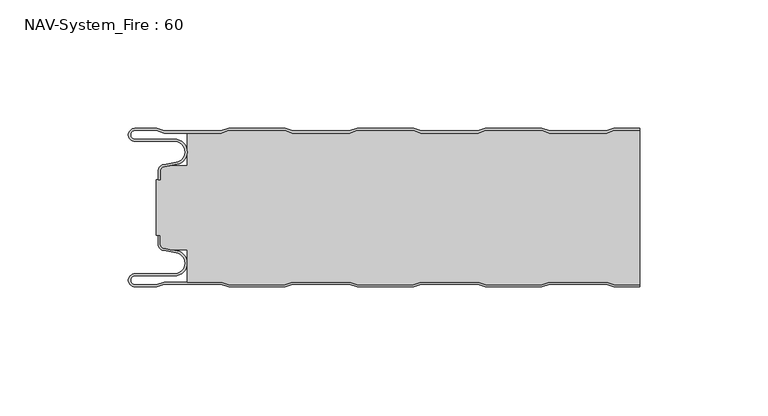
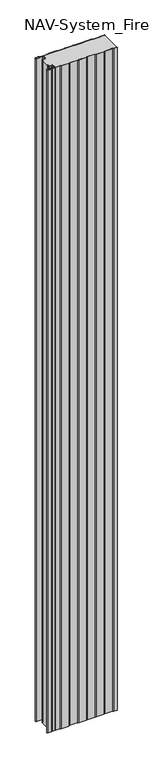
"""IFC4 building model written with IfcOpenShell, lengths in millimetres: plate geometry, NAV-System_Fire : 60."""

from ifc_helpers import new_model, si_unit, frame, origin, place, context, project, spatial, polyline, circle_curve, source, transform, mapped, element, save
from ifc_brep_helpers import plane_surface, cylinder_surface, revolved_surface, advanced_brep


def nav_system_fire_60_5c0a4671(model_context):
    return source(origin(), model_context, "Body", "AdvancedBrep", [
        advanced_brep(
        [(-88.6298221, -0.8, 0.0), (-97.0000001, -0.8, 0.0), (-97.0000001, -4.1999999, 0.0), (-81.6002086, -4.1999999, 0.0), (-80.7423864, -14.0049502, 0.0), (-85.6125665, -14.8636946, 0.0), (-87.1000004, -16.6363494, 0.0), (-87.1000014, -19.9421291, 0.0), (-87.9000014, -19.9421291, 0.0), (-87.9000014, -16.6363484, 0.0), (-85.7514853, -14.0758488, 0.0), (-80.8813015, -13.217104, 0.0), (-81.600205, -4.9999999, 0.0), (-97.0000001, -4.9999999, 0.0), (-97.0000001, 0.0, 0.0), (-88.5, 0.0, 0.0), (-85.5, -1.0, 0.0), (-63.5, -1.0, 0.0), (-60.5, 0.0, 0.0), (-38.5, 0.0, 0.0), (-35.5, -1.0, 0.0), (-13.5, -1.0, 0.0), (-10.5, 0.0, 0.0), (11.5, 0.0, 0.0), (14.5, -1.0, 0.0), (36.5, -1.0, 0.0), (39.5, 0.0, 0.0), (61.5, 0.0, 0.0), (64.5, -1.0, 0.0), (86.5, -1.0, 0.0), (89.5, 0.0, 0.0), (99.5, 0.0, 0.0), (99.5, -0.8, 0.0), (89.6298221, -0.8, 0.0), (86.6298221, -1.8, 0.0), (64.3701779, -1.8, 0.0), (61.3701779, -0.8, 0.0), (39.6298221, -0.8, 0.0), (36.6298221, -1.8, 0.0), (14.3701779, -1.8, 0.0), (11.3701779, -0.8, 0.0), (-10.3701779, -0.8, 0.0), (-13.3701779, -1.8, 0.0), (-35.6298221, -1.8, 0.0), (-38.6298221, -0.8, 0.0), (-60.3701779, -0.8, 0.0), (-63.3701779, -1.8, 0.0), (-85.6298221, -1.8, 0.0), (-88.6298221, -0.8, 2000.0), (-85.6298221, -1.8, 2000.0), (-63.3701779, -1.8, 2000.0), (-60.3701779, -0.8, 2000.0), (-38.6298221, -0.8, 2000.0), (-35.6298221, -1.8, 2000.0), (-13.3701779, -1.8, 2000.0), (-10.3701779, -0.8, 2000.0), (11.3701779, -0.8, 2000.0), (14.3701779, -1.8, 2000.0), (36.6298221, -1.8, 2000.0), (39.6298221, -0.8, 2000.0), (61.3701779, -0.8, 2000.0), (64.3701779, -1.8, 2000.0), (86.6298221, -1.8, 2000.0), (89.6298221, -0.8, 2000.0), (99.5, -0.8, 2000.0), (99.5, 0.0, 2000.0), (89.5, 0.0, 2000.0), (86.5, -1.0, 2000.0), (64.5, -1.0, 2000.0), (61.5, 0.0, 2000.0), (39.5, 0.0, 2000.0), (36.5, -1.0, 2000.0), (14.5, -1.0, 2000.0), (11.5, 0.0, 2000.0), (-10.5, 0.0, 2000.0), (-13.5, -1.0, 2000.0), (-35.5, -1.0, 2000.0), (-38.5, 0.0, 2000.0), (-60.5, 0.0, 2000.0), (-63.5, -1.0, 2000.0), (-85.5, -1.0, 2000.0), (-88.5, 0.0, 2000.0), (-97.0000001, 0.0, 2000.0), (-97.0000001, -4.9999999, 2000.0), (-81.600205, -4.9999999, 2000.0), (-80.8813015, -13.217104, 2000.0), (-85.7514853, -14.0758488, 2000.0), (-87.8999997, -16.6363484, 2000.0), (-87.9000014, -19.9421291, 2000.0), (-87.1000014, -19.9421291, 2000.0), (-87.1000014, -16.6363494, 2000.0), (-85.6125665, -14.8636946, 2000.0), (-80.7423864, -14.0049502, 2000.0), (-81.6002086, -4.1999999, 2000.0), (-97.0000001, -4.1999999, 2000.0), (-97.0000001, -0.8000002, 2000.0)],
        [
            (0, 1),
            (1, 2, circle_curve(frame((-97.0000001, -2.5, 0.0), z_axis=(0.0, 0.0, 1.0), x_axis=(1.0, 0.0, 0.0)), 1.6999999)),
            (2, 3),
            (3, 4, circle_curve(frame((-81.6002086, -9.1399999, 0.0), z_axis=(0.0, 0.0, -1.0), x_axis=(1.0, 0.0, 0.0)), 4.94)),
            (4, 5),
            (5, 6, circle_curve(frame((-85.2999995, -16.6363494, 0.0), z_axis=(0.0, 0.0, 1.0), x_axis=(1.0, 0.0, 0.0)), 1.8000009)),
            (6, 7),
            (7, 8),
            (8, 9),
            (9, 10, circle_curve(frame((-85.3000002, -16.6363484, 0.0), z_axis=(0.0, 0.0, -1.0), x_axis=(1.0, 0.0, 0.0)), 2.5999995)),
            (10, 11),
            (11, 12, circle_curve(frame((-81.600205, -9.1399999, 0.0), z_axis=(0.0, 0.0, 1.0), x_axis=(1.0, 0.0, 0.0)), 4.14)),
            (12, 13),
            (13, 14, circle_curve(frame((-97.0000001, -2.4999999, 0.0), z_axis=(0.0, 0.0, -1.0), x_axis=(1.0, 0.0, 0.0)), 2.4999999)),
            (14, 15),
            (15, 16),
            (16, 17),
            (17, 18),
            (18, 19),
            (19, 20),
            (20, 21),
            (21, 22),
            (22, 23),
            (23, 24),
            (24, 25),
            (25, 26),
            (26, 27),
            (27, 28),
            (28, 29),
            (29, 30),
            (30, 31),
            (31, 32),
            (32, 33),
            (33, 34),
            (34, 35),
            (35, 36),
            (36, 37),
            (37, 38),
            (38, 39),
            (39, 40),
            (40, 41),
            (41, 42),
            (42, 43),
            (43, 44),
            (44, 45),
            (45, 46),
            (46, 47),
            (47, 0),
            (48, 49),
            (49, 50),
            (50, 51),
            (51, 52),
            (52, 53),
            (53, 54),
            (54, 55),
            (55, 56),
            (56, 57),
            (57, 58),
            (58, 59),
            (59, 60),
            (60, 61),
            (61, 62),
            (62, 63),
            (63, 64),
            (64, 65),
            (65, 66),
            (66, 67),
            (67, 68),
            (68, 69),
            (69, 70),
            (70, 71),
            (71, 72),
            (72, 73),
            (73, 74),
            (74, 75),
            (75, 76),
            (76, 77),
            (77, 78),
            (78, 79),
            (79, 80),
            (80, 81),
            (81, 82),
            (82, 83, circle_curve(frame((-97.0000001, -2.4999999, 2000.0), z_axis=(0.0, 0.0, 1.0), x_axis=(1.0, 0.0, 0.0)), 2.4999999)),
            (83, 84),
            (84, 85, circle_curve(frame((-81.600205, -9.1399999, 2000.0), z_axis=(0.0, 0.0, -1.0), x_axis=(1.0, 0.0, 0.0)), 4.14)),
            (85, 86),
            (86, 87, circle_curve(frame((-85.3000002, -16.6363484, 2000.0), z_axis=(0.0, 0.0, 1.0), x_axis=(1.0, 0.0, 0.0)), 2.5999995)),
            (87, 88),
            (88, 89),
            (89, 90),
            (90, 91, circle_curve(frame((-85.2999995, -16.6363494, 2000.0), z_axis=(0.0, 0.0, -1.0), x_axis=(1.0, 0.0, 0.0)), 1.8000009)),
            (91, 92),
            (92, 93, circle_curve(frame((-81.6002086, -9.1399999, 2000.0), z_axis=(0.0, 0.0, 1.0), x_axis=(1.0, 0.0, 0.0)), 4.94)),
            (93, 94),
            (94, 95, circle_curve(frame((-97.0000001, -2.5, 2000.0), z_axis=(0.0, 0.0, -1.0), x_axis=(1.0, 0.0, 0.0)), 1.6999999)),
            (95, 48),
            (0, 48),
            (95, 1),
            (14, 82),
            (81, 15),
            (63, 33),
            (32, 64),
            (62, 34),
            (61, 35),
            (60, 36),
            (59, 37),
            (58, 38),
            (57, 39),
            (56, 40),
            (55, 41),
            (54, 42),
            (53, 43),
            (52, 44),
            (51, 45),
            (50, 46),
            (49, 47),
            (80, 16),
            (79, 17),
            (78, 18),
            (77, 19),
            (76, 20),
            (75, 21),
            (74, 22),
            (73, 23),
            (72, 24),
            (71, 25),
            (70, 26),
            (69, 27),
            (68, 28),
            (67, 29),
            (66, 30),
            (65, 31),
            (2, 94),
            (93, 3),
            (6, 90),
            (89, 7),
            (88, 8),
            (87, 9),
            (12, 84),
            (83, 13),
            (92, 4),
            (91, 5),
            (86, 10),
            (85, 11),
        ],
        [
            plane_surface(frame((-99.5, 0.0, 0.0), z_axis=(0.0, 0.0, -1.0), x_axis=(0.0, -1.0, 0.0))),
            plane_surface(frame((-99.5, 0.0, 2000.0), z_axis=(0.0, 0.0, 1.0), x_axis=(0.0, -1.0, 0.0))),
            plane_surface(frame((-88.6298221, -0.8, 0.0), z_axis=(0.0, -1.0, 0.0), x_axis=(0.0, 0.0, 1.0))),
            plane_surface(frame((-97.0000001, 0.0, 0.0), z_axis=(0.0, 1.0, 0.0), x_axis=(0.0, 0.0, 1.0))),
            plane_surface(frame((111.3701779, -0.8, 0.0), z_axis=(0.0, -1.0, 0.0), x_axis=(0.0, 0.0, 1.0))),
            plane_surface(frame((89.6298221, -0.8, 0.0), z_axis=(0.3162277660167413, -0.9486832980505461, 0.0), x_axis=(0.0, 0.0, 1.0))),
            plane_surface(frame((86.6298221, -1.8, 0.0), z_axis=(0.0, -1.0, 0.0), x_axis=(0.0, 0.0, 1.0))),
            plane_surface(frame((64.3701779, -1.8, 0.0), z_axis=(-0.31622776601675356, -0.948683298050542, 0.0), x_axis=(0.0, 0.0, 1.0))),
            plane_surface(frame((61.3701779, -0.8, 0.0), z_axis=(0.0, -1.0, 0.0), x_axis=(0.0, 0.0, 1.0))),
            plane_surface(frame((39.6298221, -0.8, 0.0), z_axis=(0.31622776601679226, -0.9486832980505291, 0.0), x_axis=(0.0, 0.0, 1.0))),
            plane_surface(frame((36.6298221, -1.8, 0.0), z_axis=(0.0, -1.0, 0.0), x_axis=(0.0, 0.0, 1.0))),
            plane_surface(frame((14.3701779, -1.8, 0.0), z_axis=(-0.3162277660168045, -0.948683298050525, 0.0), x_axis=(0.0, 0.0, 1.0))),
            plane_surface(frame((11.3701779, -0.8, 0.0), z_axis=(0.0, -1.0, 0.0), x_axis=(0.0, 0.0, 1.0))),
            plane_surface(frame((-10.3701779, -0.8, 0.0), z_axis=(0.31622776601679226, -0.9486832980505291, 0.0), x_axis=(0.0, 0.0, 1.0))),
            plane_surface(frame((-13.3701779, -1.8, 0.0), z_axis=(0.0, -1.0, 0.0), x_axis=(0.0, 0.0, 1.0))),
            plane_surface(frame((-35.6298221, -1.8, 0.0), z_axis=(-0.3162277660168045, -0.948683298050525, 0.0), x_axis=(0.0, 0.0, 1.0))),
            plane_surface(frame((-38.6298221, -0.8, 0.0), z_axis=(0.0, -1.0, 0.0), x_axis=(0.0, 0.0, 1.0))),
            plane_surface(frame((-60.3701779, -0.8, 0.0), z_axis=(0.3162277660167413, -0.9486832980505461, 0.0), x_axis=(0.0, 0.0, 1.0))),
            plane_surface(frame((-63.3701779, -1.8, 0.0), z_axis=(0.0, -1.0, 0.0), x_axis=(0.0, 0.0, 1.0))),
            plane_surface(frame((-85.6298221, -1.8, 0.0), z_axis=(-0.3162277660167413, -0.9486832980505461, 0.0), x_axis=(0.0, 0.0, 1.0))),
            plane_surface(frame((-88.5, 0.0, 0.0), z_axis=(0.31622776601671865, 0.9486832980505536, 0.0), x_axis=(0.0, 0.0, 1.0))),
            plane_surface(frame((-85.5, -1.0, 0.0), z_axis=(0.0, 1.0, 0.0), x_axis=(0.0, 0.0, 1.0))),
            plane_surface(frame((-63.5, -1.0, 0.0), z_axis=(-0.31622776601671865, 0.9486832980505536, 0.0), x_axis=(0.0, 0.0, 1.0))),
            plane_surface(frame((-60.5, 0.0, 0.0), z_axis=(0.0, 1.0, 0.0), x_axis=(0.0, 0.0, 1.0))),
            plane_surface(frame((-38.5, 0.0, 0.0), z_axis=(0.31622776601678754, 0.9486832980505306, 0.0), x_axis=(0.0, 0.0, 1.0))),
            plane_surface(frame((-35.5, -1.0, 0.0), z_axis=(0.0, 1.0, 0.0), x_axis=(0.0, 0.0, 1.0))),
            plane_surface(frame((-13.5, -1.0, 0.0), z_axis=(-0.3162277660167752, 0.9486832980505348, 0.0), x_axis=(0.0, 0.0, 1.0))),
            plane_surface(frame((-10.5, 0.0, 0.0), z_axis=(0.0, 1.0, 0.0), x_axis=(0.0, 0.0, 1.0))),
            plane_surface(frame((11.5, 0.0, 0.0), z_axis=(0.31622776601678754, 0.9486832980505306, 0.0), x_axis=(0.0, 0.0, 1.0))),
            plane_surface(frame((14.5, -1.0, 0.0), z_axis=(0.0, 1.0, 0.0), x_axis=(0.0, 0.0, 1.0))),
            plane_surface(frame((36.5, -1.0, 0.0), z_axis=(-0.3162277660167752, 0.9486832980505348, 0.0), x_axis=(0.0, 0.0, 1.0))),
            plane_surface(frame((39.5, 0.0, 0.0), z_axis=(0.0, 1.0, 0.0), x_axis=(0.0, 0.0, 1.0))),
            plane_surface(frame((61.5, 0.0, 0.0), z_axis=(0.3162277660167309, 0.9486832980505495, 0.0), x_axis=(0.0, 0.0, 1.0))),
            plane_surface(frame((64.5, -1.0, 0.0), z_axis=(0.0, 1.0, 0.0), x_axis=(0.0, 0.0, 1.0))),
            plane_surface(frame((86.5, -1.0, 0.0), z_axis=(-0.31622776601671865, 0.9486832980505536, 0.0), x_axis=(0.0, 0.0, 1.0))),
            plane_surface(frame((89.5, 0.0, 0.0), z_axis=(0.0, 1.0, 0.0), x_axis=(0.0, 0.0, 1.0))),
            plane_surface(frame((-97.0000001, -4.1999999, 0.0), z_axis=(0.0, 1.0, 0.0), x_axis=(0.0, 0.0, 1.0))),
            plane_surface(frame((-87.1000014, -16.6363494, 0.0), z_axis=(1.0, 0.0, 0.0), x_axis=(0.0, 0.0, 1.0))),
            plane_surface(frame((-87.1000014, -19.9421291, 0.0), z_axis=(0.0, -1.0, 0.0), x_axis=(0.0, 0.0, 1.0))),
            plane_surface(frame((-87.9000014, -19.9421291, 0.0), z_axis=(-1.0, 0.0, 0.0), x_axis=(0.0, 0.0, 1.0))),
            plane_surface(frame((-81.600205, -4.9999999, 0.0), z_axis=(0.0, -1.0, 0.0), x_axis=(0.0, 0.0, 1.0))),
            revolved_surface(polyline([(-95.3000002, -2.5, 2000.0), (-95.3000002, -2.5, 0.0)]), (-97.0000001, -2.5, 0.0), (0.0, 0.0, 1.0)),
            cylinder_surface(frame((-81.6002086, -9.1399999, 0.0), z_axis=(0.0, 0.0, -1.0), x_axis=(1.0, 0.0, 0.0)), 4.94),
            plane_surface(frame((-80.7423864, -14.0049502, 0.0), z_axis=(0.17364822279076972, -0.9848077450556567, 0.0), x_axis=(0.0, 0.0, 1.0))),
            revolved_surface(polyline([(-83.4999986, -16.6363494, 2000.0), (-83.4999986, -16.6363494, 0.0)]), (-85.2999995, -16.6363494, 0.0), (0.0, 0.0, 1.0)),
            cylinder_surface(frame((-85.3000002, -16.6363484, 0.0), z_axis=(0.0, 0.0, -1.0), x_axis=(1.0, 0.0, 0.0)), 2.5999995),
            plane_surface(frame((-85.7514853, -14.0758488, 0.0), z_axis=(-0.17364817295915452, 0.984807753842316, 0.0), x_axis=(0.0, 0.0, 1.0))),
            revolved_surface(polyline([(-77.460205, -9.1399999, 2000.0), (-77.460205, -9.1399999, 0.0)]), (-81.600205, -9.1399999, 0.0), (0.0, 0.0, 1.0)),
            cylinder_surface(frame((-97.0000001, -2.4999999, 0.0), z_axis=(0.0, 0.0, -1.0), x_axis=(1.0, 0.0, 0.0)), 2.4999999),
            plane_surface(frame((99.5, 100.0, 2000.0), z_axis=(1.0, 0.0, 0.0), x_axis=(0.0, 0.0, -1.0))),
        ],
        [
            (0, [[1, 2, 3, 4, 5, 6, 7, 8, 9, 10, 11, 12, 13, 14, 15, 16, 17, 18, 19, 20, 21, 22, 23, 24, 25, 26, 27, 28, 29, 30, 31, 32, 33, 34, 35, 36, 37, 38, 39, 40, 41, 42, 43, 44, 45, 46, 47, 48]]),
            (1, [[49, 50, 51, 52, 53, 54, 55, 56, 57, 58, 59, 60, 61, 62, 63, 64, 65, 66, 67, 68, 69, 70, 71, 72, 73, 74, 75, 76, 77, 78, 79, 80, 81, 82, 83, 84, 85, 86, 87, 88, 89, 90, 91, 92, 93, 94, 95, 96]]),
            (2, [[-1, 97, -96, 98]]),
            (3, [[-15, 99, -82, 100]]),
            (4, [[101, -33, 102, -64]]),
            (5, [[-34, -101, -63, 103]]),
            (6, [[-35, -103, -62, 104]]),
            (7, [[-36, -104, -61, 105]]),
            (8, [[-37, -105, -60, 106]]),
            (9, [[-38, -106, -59, 107]]),
            (10, [[-39, -107, -58, 108]]),
            (11, [[-40, -108, -57, 109]]),
            (12, [[-41, -109, -56, 110]]),
            (13, [[-42, -110, -55, 111]]),
            (14, [[-43, -111, -54, 112]]),
            (15, [[-44, -112, -53, 113]]),
            (16, [[-45, -113, -52, 114]]),
            (17, [[-46, -114, -51, 115]]),
            (18, [[-47, -115, -50, 116]]),
            (19, [[-48, -116, -49, -97]]),
            (20, [[-16, -100, -81, 117]]),
            (21, [[-17, -117, -80, 118]]),
            (22, [[-18, -118, -79, 119]]),
            (23, [[-19, -119, -78, 120]]),
            (24, [[-20, -120, -77, 121]]),
            (25, [[-21, -121, -76, 122]]),
            (26, [[-22, -122, -75, 123]]),
            (27, [[-23, -123, -74, 124]]),
            (28, [[-24, -124, -73, 125]]),
            (29, [[-25, -125, -72, 126]]),
            (30, [[-26, -126, -71, 127]]),
            (31, [[-27, -127, -70, 128]]),
            (32, [[-28, -128, -69, 129]]),
            (33, [[-29, -129, -68, 130]]),
            (34, [[-30, -130, -67, 131]]),
            (35, [[-131, -66, 132, -31]]),
            (36, [[-3, 133, -94, 134]]),
            (37, [[-7, 135, -90, 136]]),
            (38, [[-8, -136, -89, 137]]),
            (39, [[-9, -137, -88, 138]]),
            (40, [[-13, 139, -84, 140]]),
            (41, [[-2, -98, -95, -133]]),
            (42, [[-4, -134, -93, 141]]),
            (43, [[-5, -141, -92, 142]]),
            (44, [[-6, -142, -91, -135]]),
            (45, [[-10, -138, -87, 143]]),
            (46, [[-11, -143, -86, 144]]),
            (47, [[-12, -144, -85, -139]]),
            (48, [[-14, -140, -83, -99]]),
            (49, [[-32, -132, -65, -102]]),
        ],
    ),
        advanced_brep(
        [(89.6298221, -0.8, 2000.0), (86.6298221, -1.8, 2000.0), (64.3701779, -1.8, 2000.0), (61.3701779, -0.8, 2000.0), (39.6298221, -0.8, 2000.0), (36.6298221, -1.8, 2000.0), (14.3701779, -1.8, 2000.0), (11.3701779, -0.8, 2000.0), (-10.3701779, -0.8, 2000.0), (-13.3701779, -1.8, 2000.0), (-35.6298221, -1.8, 2000.0), (-38.6298221, -0.8, 2000.0), (-60.3701779, -0.8, 2000.0), (-63.3701779, -1.8, 2000.0), (-76.6602086, -1.8, 2000.0), (-76.6602086, -14.4343223, 2000.0), (-83.1774784, -14.4343223, 2000.0), (-85.6125665, -14.8636942, 2000.0), (-87.1000004, -16.636349, 2000.0), (-87.1000004, -19.9487816, 2000.0), (-88.6502227, -19.9487816, 2000.0), (-88.6502227, -41.6487997, 2000.0), (-87.1000014, -41.6487997, 2000.0), (-87.1000014, -44.963651, 2000.0), (-85.6125665, -46.7363054, 2000.0), (-83.1774762, -47.1656777, 2000.0), (-76.6602086, -47.1656777, 2000.0), (-76.6602086, -59.8, 2000.0), (-63.3701779, -59.8, 2000.0), (-60.3701779, -60.8, 2000.0), (-38.6298221, -60.8, 2000.0), (-35.6298221, -59.8, 2000.0), (-13.3701779, -59.8, 2000.0), (-10.3701779, -60.8, 2000.0), (11.3701779, -60.8, 2000.0), (14.3701779, -59.8, 2000.0), (36.6298221, -59.8, 2000.0), (39.6298221, -60.8, 2000.0), (61.3701779, -60.8, 2000.0), (64.3701779, -59.8, 2000.0), (86.6298221, -59.8, 2000.0), (89.6298221, -60.8, 2000.0), (99.5, -60.8, 2000.0), (99.5, -0.8, 2000.0), (89.6298221, -60.8, 0.0), (86.6298221, -59.8, 0.0), (64.3701779, -59.8, 0.0), (61.3701779, -60.8, 0.0), (39.6298221, -60.8, 0.0), (36.6298221, -59.8, 0.0), (14.3701779, -59.8, 0.0), (11.3701779, -60.8, 0.0), (-10.3701779, -60.8, 0.0), (-13.3701779, -59.8, 0.0), (-35.6298221, -59.8, 0.0), (-38.6298221, -60.8, 0.0), (-60.3701779, -60.8, 0.0), (-63.3701779, -59.8, 0.0), (-76.6602086, -59.8, 0.0), (-76.6602086, -47.1656777, 0.0), (-83.1774762, -47.1656777, 0.0), (-85.6125665, -46.7363054, 0.0), (-87.1000004, -44.963651, 0.0), (-87.1000014, -41.6487997, 0.0), (-88.6502227, -41.6487997, 0.0), (-88.6502227, -19.9487816, 0.0), (-87.1000004, -19.9487816, 0.0), (-87.1000004, -16.636349, 0.0), (-85.6125665, -14.8636942, 0.0), (-83.1774784, -14.4343223, 0.0), (-76.6602086, -14.4343223, 0.0), (-76.6602086, -1.8, 0.0), (-63.3701779, -1.8, 0.0), (-60.3701779, -0.8, 0.0), (-38.6298221, -0.8, 0.0), (-35.6298221, -1.8, 0.0), (-13.3701779, -1.8, 0.0), (-10.3701779, -0.8, 0.0), (11.3701779, -0.8, 0.0), (14.3701779, -1.8, 0.0), (36.6298221, -1.8, 0.0), (39.6298221, -0.8, 0.0), (61.3701779, -0.8, 0.0), (64.3701779, -1.8, 0.0), (86.6298221, -1.8, 0.0), (89.6298221, -0.8, 0.0), (99.5, -0.8, 0.0), (99.5, -60.8, 0.0)],
        [
            (0, 1),
            (1, 2),
            (2, 3),
            (3, 4),
            (4, 5),
            (5, 6),
            (6, 7),
            (7, 8),
            (8, 9),
            (9, 10),
            (10, 11),
            (11, 12),
            (12, 13),
            (13, 14),
            (14, 15),
            (15, 16),
            (16, 17),
            (17, 18, circle_curve(frame((-85.2999995, -16.636349, 2000.0), z_axis=(0.0, 0.0, 1.0), x_axis=(1.0, 0.0, 0.0)), 1.8000009)),
            (18, 19),
            (19, 20),
            (20, 21),
            (21, 22),
            (22, 23),
            (23, 24, circle_curve(frame((-85.2999995, -44.9636506, 2000.0), z_axis=(0.0, 0.0, 1.0), x_axis=(1.0, 0.0, 0.0)), 1.8000009)),
            (24, 25),
            (25, 26),
            (26, 27),
            (27, 28),
            (28, 29),
            (29, 30),
            (30, 31),
            (31, 32),
            (32, 33),
            (33, 34),
            (34, 35),
            (35, 36),
            (36, 37),
            (37, 38),
            (38, 39),
            (39, 40),
            (40, 41),
            (41, 42),
            (42, 43),
            (43, 0),
            (44, 45),
            (45, 46),
            (46, 47),
            (47, 48),
            (48, 49),
            (49, 50),
            (50, 51),
            (51, 52),
            (52, 53),
            (53, 54),
            (54, 55),
            (55, 56),
            (56, 57),
            (57, 58),
            (58, 59),
            (59, 60),
            (60, 61),
            (61, 62, circle_curve(frame((-85.2999995, -44.9636506, 0.0), z_axis=(0.0, 0.0, -1.0), x_axis=(1.0, 0.0, 0.0)), 1.8000009)),
            (62, 63),
            (63, 64),
            (64, 65),
            (65, 66),
            (66, 67),
            (67, 68, circle_curve(frame((-85.2999995, -16.636349, 0.0), z_axis=(0.0, 0.0, -1.0), x_axis=(1.0, 0.0, 0.0)), 1.8000009)),
            (68, 69),
            (69, 70),
            (70, 71),
            (71, 72),
            (72, 73),
            (73, 74),
            (74, 75),
            (75, 76),
            (76, 77),
            (77, 78),
            (78, 79),
            (79, 80),
            (80, 81),
            (81, 82),
            (82, 83),
            (83, 84),
            (84, 85),
            (85, 86),
            (86, 87),
            (87, 44),
            (85, 0),
            (43, 86),
            (84, 1),
            (83, 2),
            (82, 3),
            (81, 4),
            (80, 5),
            (79, 6),
            (78, 7),
            (77, 8),
            (76, 9),
            (75, 10),
            (74, 11),
            (73, 12),
            (72, 13),
            (71, 14),
            (27, 58),
            (57, 28),
            (56, 29),
            (55, 30),
            (54, 31),
            (53, 32),
            (52, 33),
            (51, 34),
            (50, 35),
            (49, 36),
            (48, 37),
            (47, 38),
            (46, 39),
            (45, 40),
            (44, 41),
            (87, 42),
            (70, 15),
            (69, 16),
            (18, 67),
            (66, 19),
            (65, 20),
            (64, 21),
            (25, 60),
            (59, 26),
            (68, 17),
            (63, 22),
            (62, 23),
            (61, 24),
        ],
        [
            plane_surface(frame((-99.5, 0.0, 2000.0), z_axis=(0.0, 0.0, 1.0), x_axis=(0.0, -1.0, 0.0))),
            plane_surface(frame((-99.5, 0.0, 0.0), z_axis=(0.0, 0.0, -1.0), x_axis=(0.0, -1.0, 0.0))),
            plane_surface(frame((111.3701779, -0.8, 2000.0), z_axis=(0.0, 1.0, 0.0), x_axis=(0.0, 0.0, -1.0))),
            plane_surface(frame((89.6298221, -0.8, 2000.0), z_axis=(-0.3162277660167413, 0.9486832980505461, 0.0), x_axis=(0.0, 0.0, -1.0))),
            plane_surface(frame((86.6298221, -1.8, 2000.0), z_axis=(0.0, 1.0, 0.0), x_axis=(0.0, 0.0, -1.0))),
            plane_surface(frame((64.3701779, -1.8, 2000.0), z_axis=(0.31622776601675356, 0.948683298050542, 0.0), x_axis=(0.0, 0.0, -1.0))),
            plane_surface(frame((61.3701779, -0.8, 2000.0), z_axis=(0.0, 1.0, 0.0), x_axis=(0.0, 0.0, -1.0))),
            plane_surface(frame((39.6298221, -0.8, 2000.0), z_axis=(-0.31622776601679226, 0.9486832980505291, 0.0), x_axis=(0.0, 0.0, -1.0))),
            plane_surface(frame((36.6298221, -1.8, 2000.0), z_axis=(0.0, 1.0, 0.0), x_axis=(0.0, 0.0, -1.0))),
            plane_surface(frame((14.3701779, -1.8, 2000.0), z_axis=(0.3162277660168045, 0.948683298050525, 0.0), x_axis=(0.0, 0.0, -1.0))),
            plane_surface(frame((11.3701779, -0.8, 2000.0), z_axis=(0.0, 1.0, 0.0), x_axis=(0.0, 0.0, -1.0))),
            plane_surface(frame((-10.3701779, -0.8, 2000.0), z_axis=(-0.31622776601679226, 0.9486832980505291, 0.0), x_axis=(0.0, 0.0, -1.0))),
            plane_surface(frame((-13.3701779, -1.8, 2000.0), z_axis=(0.0, 1.0, 0.0), x_axis=(0.0, 0.0, -1.0))),
            plane_surface(frame((-35.6298221, -1.8, 2000.0), z_axis=(0.3162277660168045, 0.948683298050525, 0.0), x_axis=(0.0, 0.0, -1.0))),
            plane_surface(frame((-38.6298221, -0.8, 2000.0), z_axis=(0.0, 1.0, 0.0), x_axis=(0.0, 0.0, -1.0))),
            plane_surface(frame((-60.3701779, -0.8, 2000.0), z_axis=(-0.3162277660167413, 0.9486832980505461, 0.0), x_axis=(0.0, 0.0, -1.0))),
            plane_surface(frame((-63.3701779, -1.8, 2000.0), z_axis=(0.0, 1.0, 0.0), x_axis=(0.0, 0.0, -1.0))),
            plane_surface(frame((-76.6602086, -59.8, 2000.0), z_axis=(0.0, -1.0, 0.0), x_axis=(0.0, 0.0, -1.0))),
            plane_surface(frame((-63.3701779, -59.8, 2000.0), z_axis=(-0.31622776601680425, -0.9486832980505251, 0.0), x_axis=(0.0, 0.0, -1.0))),
            plane_surface(frame((-60.3701779, -60.8, 2000.0), z_axis=(0.0, -1.0, 0.0), x_axis=(0.0, 0.0, -1.0))),
            plane_surface(frame((-38.6298221, -60.8, 2000.0), z_axis=(0.3162277660166068, -0.9486832980505908, 0.0), x_axis=(0.0, 0.0, -1.0))),
            plane_surface(frame((-35.6298221, -59.8, 2000.0), z_axis=(0.0, -1.0, 0.0), x_axis=(0.0, 0.0, -1.0))),
            plane_surface(frame((-13.3701779, -59.8, 2000.0), z_axis=(-0.3162277660169808, -0.9486832980504663, 0.0), x_axis=(0.0, 0.0, -1.0))),
            plane_surface(frame((-10.3701779, -60.8, 2000.0), z_axis=(0.0, -1.0, 0.0), x_axis=(0.0, 0.0, -1.0))),
            plane_surface(frame((11.3701779, -60.8, 2000.0), z_axis=(0.3162277660165346, -0.9486832980506149, 0.0), x_axis=(0.0, 0.0, -1.0))),
            plane_surface(frame((14.3701779, -59.8, 2000.0), z_axis=(0.0, -1.0, 0.0), x_axis=(0.0, 0.0, -1.0))),
            plane_surface(frame((36.6298221, -59.8, 2000.0), z_axis=(-0.3162277660169872, -0.9486832980504641, 0.0), x_axis=(0.0, 0.0, -1.0))),
            plane_surface(frame((39.6298221, -60.8, 2000.0), z_axis=(0.0, -1.0, 0.0), x_axis=(0.0, 0.0, -1.0))),
            plane_surface(frame((61.3701779, -60.8, 2000.0), z_axis=(0.31622776601646235, -0.948683298050639, 0.0), x_axis=(0.0, 0.0, -1.0))),
            plane_surface(frame((64.3701779, -59.8, 2000.0), z_axis=(0.0, -1.0, 0.0), x_axis=(0.0, 0.0, -1.0))),
            plane_surface(frame((86.6298221, -59.8, 2000.0), z_axis=(-0.316227766016862, -0.9486832980505058, 0.0), x_axis=(0.0, 0.0, -1.0))),
            plane_surface(frame((89.6298221, -60.8, 2000.0), z_axis=(0.0, -1.0, 0.0), x_axis=(0.0, 0.0, -1.0))),
            plane_surface(frame((-76.6602086, -1.8, 2000.0), z_axis=(-1.0, 0.0, 0.0), x_axis=(0.0, 0.0, -1.0))),
            plane_surface(frame((-76.6602086, -14.4343223, 2000.0), z_axis=(0.0, 1.0, 0.0), x_axis=(0.0, 0.0, -1.0))),
            plane_surface(frame((-87.1000004, -16.636349, 2000.0), z_axis=(-1.0, 0.0, 0.0), x_axis=(0.0, 0.0, -1.0))),
            plane_surface(frame((-87.1000004, -19.9487816, 2000.0), z_axis=(0.0, 1.0, 0.0), x_axis=(0.0, 0.0, -1.0))),
            plane_surface(frame((-88.6502227, -19.9487816, 2000.0), z_axis=(-1.0, 0.0, 0.0), x_axis=(0.0, 0.0, -1.0))),
            plane_surface(frame((-83.1774762, -47.1656777, 2000.0), z_axis=(0.0, -1.0, 0.0), x_axis=(0.0, 0.0, -1.0))),
            plane_surface(frame((-76.6602086, -47.1656777, 2000.0), z_axis=(-1.0, 0.0, 0.0), x_axis=(0.0, 0.0, -1.0))),
            plane_surface(frame((-83.1774784, -14.4343223, 2000.0), z_axis=(-0.17364822279076972, 0.9848077450556567, 0.0), x_axis=(0.0, 0.0, -1.0))),
            cylinder_surface(frame((-85.2999995, -16.636349, 2000.0), z_axis=(0.0, 0.0, 1.0), x_axis=(1.0, 0.0, 0.0)), 1.8000009),
            plane_surface(frame((-88.6502227, -41.6487997, 2000.0), z_axis=(0.0, -1.0, 0.0), x_axis=(0.0, 0.0, -1.0))),
            plane_surface(frame((-87.1000014, -41.6487997, 2000.0), z_axis=(-1.0, 0.0, 0.0), x_axis=(0.0, 0.0, -1.0))),
            cylinder_surface(frame((-85.2999995, -44.9636506, 2000.0), z_axis=(0.0, 0.0, 1.0), x_axis=(1.0, 0.0, 0.0)), 1.8000009),
            plane_surface(frame((-85.6125665, -46.7363054, 2000.0), z_axis=(-0.17364822279077433, -0.9848077450556558, 0.0), x_axis=(0.0, 0.0, -1.0))),
            plane_surface(frame((99.5, 100.0, 2000.0), z_axis=(1.0, 0.0, 0.0), x_axis=(0.0, 0.0, -1.0))),
        ],
        [
            (0, [[1, 2, 3, 4, 5, 6, 7, 8, 9, 10, 11, 12, 13, 14, 15, 16, 17, 18, 19, 20, 21, 22, 23, 24, 25, 26, 27, 28, 29, 30, 31, 32, 33, 34, 35, 36, 37, 38, 39, 40, 41, 42, 43, 44]]),
            (1, [[45, 46, 47, 48, 49, 50, 51, 52, 53, 54, 55, 56, 57, 58, 59, 60, 61, 62, 63, 64, 65, 66, 67, 68, 69, 70, 71, 72, 73, 74, 75, 76, 77, 78, 79, 80, 81, 82, 83, 84, 85, 86, 87, 88]]),
            (2, [[89, -44, 90, -86]]),
            (3, [[-1, -89, -85, 91]]),
            (4, [[-2, -91, -84, 92]]),
            (5, [[-3, -92, -83, 93]]),
            (6, [[-4, -93, -82, 94]]),
            (7, [[-5, -94, -81, 95]]),
            (8, [[-6, -95, -80, 96]]),
            (9, [[-7, -96, -79, 97]]),
            (10, [[-8, -97, -78, 98]]),
            (11, [[-9, -98, -77, 99]]),
            (12, [[-10, -99, -76, 100]]),
            (13, [[-11, -100, -75, 101]]),
            (14, [[-12, -101, -74, 102]]),
            (15, [[-13, -102, -73, 103]]),
            (16, [[-14, -103, -72, 104]]),
            (17, [[-28, 105, -58, 106]]),
            (18, [[-29, -106, -57, 107]]),
            (19, [[-30, -107, -56, 108]]),
            (20, [[-31, -108, -55, 109]]),
            (21, [[-32, -109, -54, 110]]),
            (22, [[-33, -110, -53, 111]]),
            (23, [[-34, -111, -52, 112]]),
            (24, [[-35, -112, -51, 113]]),
            (25, [[-36, -113, -50, 114]]),
            (26, [[-37, -114, -49, 115]]),
            (27, [[-38, -115, -48, 116]]),
            (28, [[-39, -116, -47, 117]]),
            (29, [[-40, -117, -46, 118]]),
            (30, [[-41, -118, -45, 119]]),
            (31, [[-119, -88, 120, -42]]),
            (32, [[-15, -104, -71, 121]]),
            (33, [[-16, -121, -70, 122]]),
            (34, [[-19, 123, -67, 124]]),
            (35, [[-20, -124, -66, 125]]),
            (36, [[-21, -125, -65, 126]]),
            (37, [[-26, 127, -60, 128]]),
            (38, [[-27, -128, -59, -105]]),
            (39, [[-17, -122, -69, 129]]),
            (40, [[-18, -129, -68, -123]]),
            (41, [[-22, -126, -64, 130]]),
            (42, [[-23, -130, -63, 131]]),
            (43, [[-24, -131, -62, 132]]),
            (44, [[-25, -132, -61, -127]]),
            (45, [[-43, -120, -87, -90]]),
        ],
    ),
        advanced_brep(
        [(-88.6298221, -60.8, 2000.0), (-97.0000001, -60.8, 2000.0), (-97.0000001, -57.4000001, 2000.0), (-81.6002086, -57.4000001, 2000.0), (-80.7423864, -47.5950498, 2000.0), (-85.6125665, -46.7363054, 2000.0), (-87.1000004, -44.9636506, 2000.0), (-87.1000014, -41.6578709, 2000.0), (-87.9000014, -41.6578709, 2000.0), (-87.9000014, -44.9636516, 2000.0), (-85.7514853, -47.5241512, 2000.0), (-80.8813015, -48.382896, 2000.0), (-81.600205, -56.6000001, 2000.0), (-97.0000001, -56.6000001, 2000.0), (-97.0000001, -61.6, 2000.0), (-88.5, -61.6, 2000.0), (-85.5, -60.6, 2000.0), (-63.5, -60.6, 2000.0), (-60.5, -61.6, 2000.0), (-38.5, -61.6, 2000.0), (-35.5, -60.6, 2000.0), (-13.5, -60.6, 2000.0), (-10.5, -61.6, 2000.0), (11.5, -61.6, 2000.0), (14.5, -60.6, 2000.0), (36.5, -60.6, 2000.0), (39.5, -61.6, 2000.0), (61.5, -61.6, 2000.0), (64.5, -60.6, 2000.0), (86.5, -60.6, 2000.0), (89.5, -61.6, 2000.0), (99.5, -61.6, 2000.0), (99.5, -60.8, 2000.0), (89.6298221, -60.8, 2000.0), (86.6298221, -59.8, 2000.0), (64.3701779, -59.8, 2000.0), (61.3701779, -60.8, 2000.0), (39.6298221, -60.8, 2000.0), (36.6298221, -59.8, 2000.0), (14.3701779, -59.8, 2000.0), (11.3701779, -60.8, 2000.0), (-10.3701779, -60.8, 2000.0), (-13.3701779, -59.8, 2000.0), (-35.6298221, -59.8, 2000.0), (-38.6298221, -60.8, 2000.0), (-60.3701779, -60.8, 2000.0), (-63.3701779, -59.8, 2000.0), (-85.6298221, -59.8, 2000.0), (-88.6298221, -60.8, 0.0), (-85.6298221, -59.8, 0.0), (-63.3701779, -59.8, 0.0), (-60.3701779, -60.8, 0.0), (-38.6298221, -60.8, 0.0), (-35.6298221, -59.8, 0.0), (-13.3701779, -59.8, 0.0), (-10.3701779, -60.8, 0.0), (11.3701779, -60.8, 0.0), (14.3701779, -59.8, 0.0), (36.6298221, -59.8, 0.0), (39.6298221, -60.8, 0.0), (61.3701779, -60.8, 0.0), (64.3701779, -59.8, 0.0), (86.6298221, -59.8, 0.0), (89.6298221, -60.8, 0.0), (99.5, -60.8, 0.0), (99.5, -61.6, 0.0), (89.5, -61.6, 0.0), (86.5, -60.6, 0.0), (64.5, -60.6, 0.0), (61.5, -61.6, 0.0), (39.5, -61.6, 0.0), (36.5, -60.6, 0.0), (14.5, -60.6, 0.0), (11.5, -61.6, 0.0), (-10.5, -61.6, 0.0), (-13.5, -60.6, 0.0), (-35.5, -60.6, 0.0), (-38.5, -61.6, 0.0), (-60.5, -61.6, 0.0), (-63.5, -60.6, 0.0), (-85.5, -60.6, 0.0), (-88.5, -61.6, 0.0), (-97.0000001, -61.6, 0.0), (-97.0000001, -56.6000001, 0.0), (-81.600205, -56.6000001, 0.0), (-80.8813015, -48.382896, 0.0), (-85.7514853, -47.5241512, 0.0), (-87.8999997, -44.9636516, 0.0), (-87.9000014, -41.6578709, 0.0), (-87.1000014, -41.6578709, 0.0), (-87.1000014, -44.9636506, 0.0), (-85.6125665, -46.7363054, 0.0), (-80.7423864, -47.5950498, 0.0), (-81.6002086, -57.4000001, 0.0), (-97.0000001, -57.4000001, 0.0), (-97.0000001, -60.7999998, 0.0)],
        [
            (0, 1),
            (1, 2, circle_curve(frame((-97.0000001, -59.1, 2000.0), z_axis=(0.0, 0.0, -1.0), x_axis=(1.0, 0.0, 0.0)), 1.6999999)),
            (2, 3),
            (3, 4, circle_curve(frame((-81.6002086, -52.4600001, 2000.0), z_axis=(0.0, 0.0, 1.0), x_axis=(1.0, 0.0, 0.0)), 4.94)),
            (4, 5),
            (5, 6, circle_curve(frame((-85.2999995, -44.9636506, 2000.0), z_axis=(0.0, 0.0, -1.0), x_axis=(1.0, 0.0, 0.0)), 1.8000009)),
            (6, 7),
            (7, 8),
            (8, 9),
            (9, 10, circle_curve(frame((-85.3000002, -44.9636516, 2000.0), z_axis=(0.0, 0.0, 1.0), x_axis=(1.0, 0.0, 0.0)), 2.5999995)),
            (10, 11),
            (11, 12, circle_curve(frame((-81.600205, -52.4600001, 2000.0), z_axis=(0.0, 0.0, -1.0), x_axis=(1.0, 0.0, 0.0)), 4.14)),
            (12, 13),
            (13, 14, circle_curve(frame((-97.0000001, -59.1000001, 2000.0), z_axis=(0.0, 0.0, 1.0), x_axis=(1.0, 0.0, 0.0)), 2.4999999)),
            (14, 15),
            (15, 16),
            (16, 17),
            (17, 18),
            (18, 19),
            (19, 20),
            (20, 21),
            (21, 22),
            (22, 23),
            (23, 24),
            (24, 25),
            (25, 26),
            (26, 27),
            (27, 28),
            (28, 29),
            (29, 30),
            (30, 31),
            (31, 32),
            (32, 33),
            (33, 34),
            (34, 35),
            (35, 36),
            (36, 37),
            (37, 38),
            (38, 39),
            (39, 40),
            (40, 41),
            (41, 42),
            (42, 43),
            (43, 44),
            (44, 45),
            (45, 46),
            (46, 47),
            (47, 0),
            (48, 49),
            (49, 50),
            (50, 51),
            (51, 52),
            (52, 53),
            (53, 54),
            (54, 55),
            (55, 56),
            (56, 57),
            (57, 58),
            (58, 59),
            (59, 60),
            (60, 61),
            (61, 62),
            (62, 63),
            (63, 64),
            (64, 65),
            (65, 66),
            (66, 67),
            (67, 68),
            (68, 69),
            (69, 70),
            (70, 71),
            (71, 72),
            (72, 73),
            (73, 74),
            (74, 75),
            (75, 76),
            (76, 77),
            (77, 78),
            (78, 79),
            (79, 80),
            (80, 81),
            (81, 82),
            (82, 83, circle_curve(frame((-97.0000001, -59.1000001, 0.0), z_axis=(0.0, 0.0, -1.0), x_axis=(1.0, 0.0, 0.0)), 2.4999999)),
            (83, 84),
            (84, 85, circle_curve(frame((-81.600205, -52.4600001, 0.0), z_axis=(0.0, 0.0, 1.0), x_axis=(1.0, 0.0, 0.0)), 4.14)),
            (85, 86),
            (86, 87, circle_curve(frame((-85.3000002, -44.9636516, 0.0), z_axis=(0.0, 0.0, -1.0), x_axis=(1.0, 0.0, 0.0)), 2.5999995)),
            (87, 88),
            (88, 89),
            (89, 90),
            (90, 91, circle_curve(frame((-85.2999995, -44.9636506, 0.0), z_axis=(0.0, 0.0, 1.0), x_axis=(1.0, 0.0, 0.0)), 1.8000009)),
            (91, 92),
            (92, 93, circle_curve(frame((-81.6002086, -52.4600001, 0.0), z_axis=(0.0, 0.0, -1.0), x_axis=(1.0, 0.0, 0.0)), 4.94)),
            (93, 94),
            (94, 95, circle_curve(frame((-97.0000001, -59.1, 0.0), z_axis=(0.0, 0.0, 1.0), x_axis=(1.0, 0.0, 0.0)), 1.6999999)),
            (95, 48),
            (14, 82),
            (81, 15),
            (0, 48),
            (95, 1),
            (63, 33),
            (32, 64),
            (62, 34),
            (61, 35),
            (60, 36),
            (59, 37),
            (58, 38),
            (57, 39),
            (56, 40),
            (55, 41),
            (54, 42),
            (53, 43),
            (52, 44),
            (51, 45),
            (50, 46),
            (49, 47),
            (80, 16),
            (79, 17),
            (78, 18),
            (77, 19),
            (76, 20),
            (75, 21),
            (74, 22),
            (73, 23),
            (72, 24),
            (71, 25),
            (70, 26),
            (69, 27),
            (68, 28),
            (67, 29),
            (66, 30),
            (65, 31),
            (2, 94),
            (93, 3),
            (6, 90),
            (89, 7),
            (88, 8),
            (87, 9),
            (12, 84),
            (83, 13),
            (92, 4),
            (91, 5),
            (86, 10),
            (85, 11),
        ],
        [
            plane_surface(frame((-99.5, -61.6, 2000.0), z_axis=(0.0, 0.0, 1.0), x_axis=(-1.0, 0.0, 0.0))),
            plane_surface(frame((-99.5, -61.6, 0.0), z_axis=(0.0, 0.0, -1.0), x_axis=(-1.0, 0.0, 0.0))),
            plane_surface(frame((-97.0000001, -61.6, 2000.0), z_axis=(0.0, -1.0, 0.0), x_axis=(0.0, 0.0, -1.0))),
            plane_surface(frame((-88.6298221, -60.8, 2000.0), z_axis=(0.0, 1.0, 0.0), x_axis=(0.0, 0.0, -1.0))),
            plane_surface(frame((111.3701779, -60.8, 2000.0), z_axis=(0.0, 1.0, 0.0), x_axis=(0.0, 0.0, -1.0))),
            plane_surface(frame((89.6298221, -60.8, 2000.0), z_axis=(0.3162277660167412, 0.9486832980505461, 0.0), x_axis=(0.0, 0.0, -1.0))),
            plane_surface(frame((86.6298221, -59.8, 2000.0), z_axis=(0.0, 1.0, 0.0), x_axis=(0.0, 0.0, -1.0))),
            plane_surface(frame((64.3701779, -59.8, 2000.0), z_axis=(-0.3162277660167537, 0.948683298050542, 0.0), x_axis=(0.0, 0.0, -1.0))),
            plane_surface(frame((61.3701779, -60.8, 2000.0), z_axis=(0.0, 1.0, 0.0), x_axis=(0.0, 0.0, -1.0))),
            plane_surface(frame((39.6298221, -60.8, 2000.0), z_axis=(0.31622776601679214, 0.9486832980505291, 0.0), x_axis=(0.0, 0.0, -1.0))),
            plane_surface(frame((36.6298221, -59.8, 2000.0), z_axis=(0.0, 1.0, 0.0), x_axis=(0.0, 0.0, -1.0))),
            plane_surface(frame((14.3701779, -59.8, 2000.0), z_axis=(-0.31622776601680463, 0.948683298050525, 0.0), x_axis=(0.0, 0.0, -1.0))),
            plane_surface(frame((11.3701779, -60.8, 2000.0), z_axis=(0.0, 1.0, 0.0), x_axis=(0.0, 0.0, -1.0))),
            plane_surface(frame((-10.3701779, -60.8, 2000.0), z_axis=(0.31622776601679214, 0.9486832980505291, 0.0), x_axis=(0.0, 0.0, -1.0))),
            plane_surface(frame((-13.3701779, -59.8, 2000.0), z_axis=(0.0, 1.0, 0.0), x_axis=(0.0, 0.0, -1.0))),
            plane_surface(frame((-35.6298221, -59.8, 2000.0), z_axis=(-0.31622776601680463, 0.948683298050525, 0.0), x_axis=(0.0, 0.0, -1.0))),
            plane_surface(frame((-38.6298221, -60.8, 2000.0), z_axis=(0.0, 1.0, 0.0), x_axis=(0.0, 0.0, -1.0))),
            plane_surface(frame((-60.3701779, -60.8, 2000.0), z_axis=(0.3162277660167412, 0.9486832980505461, 0.0), x_axis=(0.0, 0.0, -1.0))),
            plane_surface(frame((-63.3701779, -59.8, 2000.0), z_axis=(0.0, 1.0, 0.0), x_axis=(0.0, 0.0, -1.0))),
            plane_surface(frame((-85.6298221, -59.8, 2000.0), z_axis=(-0.3162277660167414, 0.9486832980505461, 0.0), x_axis=(0.0, 0.0, -1.0))),
            plane_surface(frame((-88.5, -61.6, 2000.0), z_axis=(0.31622776601671876, -0.9486832980505536, 0.0), x_axis=(0.0, 0.0, -1.0))),
            plane_surface(frame((-85.5, -60.6, 2000.0), z_axis=(0.0, -1.0, 0.0), x_axis=(0.0, 0.0, -1.0))),
            plane_surface(frame((-63.5, -60.6, 2000.0), z_axis=(-0.31622776601671854, -0.9486832980505536, 0.0), x_axis=(0.0, 0.0, -1.0))),
            plane_surface(frame((-60.5, -61.6, 2000.0), z_axis=(0.0, -1.0, 0.0), x_axis=(0.0, 0.0, -1.0))),
            plane_surface(frame((-38.5, -61.6, 2000.0), z_axis=(0.31622776601678765, -0.9486832980505306, 0.0), x_axis=(0.0, 0.0, -1.0))),
            plane_surface(frame((-35.5, -60.6, 2000.0), z_axis=(0.0, -1.0, 0.0), x_axis=(0.0, 0.0, -1.0))),
            plane_surface(frame((-13.5, -60.6, 2000.0), z_axis=(-0.3162277660167751, -0.9486832980505348, 0.0), x_axis=(0.0, 0.0, -1.0))),
            plane_surface(frame((-10.5, -61.6, 2000.0), z_axis=(0.0, -1.0, 0.0), x_axis=(0.0, 0.0, -1.0))),
            plane_surface(frame((11.5, -61.6, 2000.0), z_axis=(0.31622776601678765, -0.9486832980505306, 0.0), x_axis=(0.0, 0.0, -1.0))),
            plane_surface(frame((14.5, -60.6, 2000.0), z_axis=(0.0, -1.0, 0.0), x_axis=(0.0, 0.0, -1.0))),
            plane_surface(frame((36.5, -60.6, 2000.0), z_axis=(-0.3162277660167751, -0.9486832980505348, 0.0), x_axis=(0.0, 0.0, -1.0))),
            plane_surface(frame((39.5, -61.6, 2000.0), z_axis=(0.0, -1.0, 0.0), x_axis=(0.0, 0.0, -1.0))),
            plane_surface(frame((61.5, -61.6, 2000.0), z_axis=(0.316227766016731, -0.9486832980505495, 0.0), x_axis=(0.0, 0.0, -1.0))),
            plane_surface(frame((64.5, -60.6, 2000.0), z_axis=(0.0, -1.0, 0.0), x_axis=(0.0, 0.0, -1.0))),
            plane_surface(frame((86.5, -60.6, 2000.0), z_axis=(-0.31622776601671854, -0.9486832980505536, 0.0), x_axis=(0.0, 0.0, -1.0))),
            plane_surface(frame((89.5, -61.6, 2000.0), z_axis=(0.0, -1.0, 0.0), x_axis=(0.0, 0.0, -1.0))),
            plane_surface(frame((-97.0000001, -57.4000001, 2000.0), z_axis=(0.0, -1.0, 0.0), x_axis=(0.0, 0.0, -1.0))),
            plane_surface(frame((-87.1000014, -44.9636506, 2000.0), z_axis=(1.0, 0.0, 0.0), x_axis=(0.0, 0.0, -1.0))),
            plane_surface(frame((-87.1000014, -41.6578709, 2000.0), z_axis=(0.0, 1.0, 0.0), x_axis=(0.0, 0.0, -1.0))),
            plane_surface(frame((-87.9000014, -41.6578709, 2000.0), z_axis=(-1.0, 0.0, 0.0), x_axis=(0.0, 0.0, -1.0))),
            plane_surface(frame((-81.600205, -56.6000001, 2000.0), z_axis=(0.0, 1.0, 0.0), x_axis=(0.0, 0.0, -1.0))),
            revolved_surface(polyline([(-95.3000002, -59.1, 0.0), (-95.3000002, -59.1, 2000.0)]), (-97.0000001, -59.1, 2000.0), (0.0, 0.0, -1.0)),
            cylinder_surface(frame((-81.6002086, -52.4600001, 2000.0), z_axis=(0.0, 0.0, 1.0), x_axis=(1.0, 0.0, 0.0)), 4.94),
            plane_surface(frame((-80.7423864, -47.5950498, 2000.0), z_axis=(0.17364822279076958, 0.9848077450556567, 0.0), x_axis=(0.0, 0.0, -1.0))),
            revolved_surface(polyline([(-83.4999986, -44.9636506, 0.0), (-83.4999986, -44.9636506, 2000.0)]), (-85.2999995, -44.9636506, 2000.0), (0.0, 0.0, -1.0)),
            cylinder_surface(frame((-85.3000002, -44.9636516, 2000.0), z_axis=(0.0, 0.0, 1.0), x_axis=(1.0, 0.0, 0.0)), 2.5999995),
            plane_surface(frame((-85.7514853, -47.5241512, 2000.0), z_axis=(-0.17364817295915438, -0.984807753842316, 0.0), x_axis=(0.0, 0.0, -1.0))),
            revolved_surface(polyline([(-77.460205, -52.4600001, 0.0), (-77.460205, -52.4600001, 2000.0)]), (-81.600205, -52.4600001, 2000.0), (0.0, 0.0, -1.0)),
            cylinder_surface(frame((-97.0000001, -59.1000001, 2000.0), z_axis=(0.0, 0.0, 1.0), x_axis=(1.0, 0.0, 0.0)), 2.4999999),
            plane_surface(frame((99.5, 100.0, 2000.0), z_axis=(1.0, 0.0, 0.0), x_axis=(0.0, 0.0, -1.0))),
        ],
        [
            (0, [[1, 2, 3, 4, 5, 6, 7, 8, 9, 10, 11, 12, 13, 14, 15, 16, 17, 18, 19, 20, 21, 22, 23, 24, 25, 26, 27, 28, 29, 30, 31, 32, 33, 34, 35, 36, 37, 38, 39, 40, 41, 42, 43, 44, 45, 46, 47, 48]]),
            (1, [[49, 50, 51, 52, 53, 54, 55, 56, 57, 58, 59, 60, 61, 62, 63, 64, 65, 66, 67, 68, 69, 70, 71, 72, 73, 74, 75, 76, 77, 78, 79, 80, 81, 82, 83, 84, 85, 86, 87, 88, 89, 90, 91, 92, 93, 94, 95, 96]]),
            (2, [[-15, 97, -82, 98]]),
            (3, [[-1, 99, -96, 100]]),
            (4, [[101, -33, 102, -64]]),
            (5, [[-34, -101, -63, 103]]),
            (6, [[-35, -103, -62, 104]]),
            (7, [[-36, -104, -61, 105]]),
            (8, [[-37, -105, -60, 106]]),
            (9, [[-38, -106, -59, 107]]),
            (10, [[-39, -107, -58, 108]]),
            (11, [[-40, -108, -57, 109]]),
            (12, [[-41, -109, -56, 110]]),
            (13, [[-42, -110, -55, 111]]),
            (14, [[-43, -111, -54, 112]]),
            (15, [[-44, -112, -53, 113]]),
            (16, [[-45, -113, -52, 114]]),
            (17, [[-46, -114, -51, 115]]),
            (18, [[-47, -115, -50, 116]]),
            (19, [[-48, -116, -49, -99]]),
            (20, [[-16, -98, -81, 117]]),
            (21, [[-17, -117, -80, 118]]),
            (22, [[-18, -118, -79, 119]]),
            (23, [[-19, -119, -78, 120]]),
            (24, [[-20, -120, -77, 121]]),
            (25, [[-21, -121, -76, 122]]),
            (26, [[-22, -122, -75, 123]]),
            (27, [[-23, -123, -74, 124]]),
            (28, [[-24, -124, -73, 125]]),
            (29, [[-25, -125, -72, 126]]),
            (30, [[-26, -126, -71, 127]]),
            (31, [[-27, -127, -70, 128]]),
            (32, [[-28, -128, -69, 129]]),
            (33, [[-29, -129, -68, 130]]),
            (34, [[-30, -130, -67, 131]]),
            (35, [[-131, -66, 132, -31]]),
            (36, [[-3, 133, -94, 134]]),
            (37, [[-7, 135, -90, 136]]),
            (38, [[-8, -136, -89, 137]]),
            (39, [[-9, -137, -88, 138]]),
            (40, [[-13, 139, -84, 140]]),
            (41, [[-2, -100, -95, -133]]),
            (42, [[-4, -134, -93, 141]]),
            (43, [[-5, -141, -92, 142]]),
            (44, [[-6, -142, -91, -135]]),
            (45, [[-10, -138, -87, 143]]),
            (46, [[-11, -143, -86, 144]]),
            (47, [[-12, -144, -85, -139]]),
            (48, [[-14, -140, -83, -97]]),
            (49, [[-32, -132, -65, -102]]),
        ],
    ),
    ])


if __name__ == "__main__":
    model = new_model("IFC4")
    model_context = context("Model", 3, world=origin())
    ifc_project = project(units=[si_unit("LENGTHUNIT", "METRE", prefix="MILLI")], contexts=[model_context])
    site = spatial("IfcSite", under=ifc_project)
    building = spatial("IfcBuilding", under=site)
    placement = place(None, origin())
    nav_system_fire_60_shape = nav_system_fire_60_5c0a4671(model_context)
    element("IfcPlate", 1, ObjectType="NAV-System_Fire : 60", at=placement, inside=building, context=model_context, shape_type="MappedRepresentation", body=[
        mapped(nav_system_fire_60_shape, transform((0.0, 0.0, 0.0), x_axis=(1.0, 0.0, 0.0), y_axis=(0.0, 1.0, 0.0), z_axis=(0.0, 0.0, 1.0))),
    ])
    save(model, "model.ifc")
